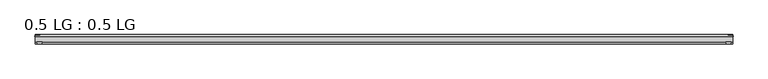
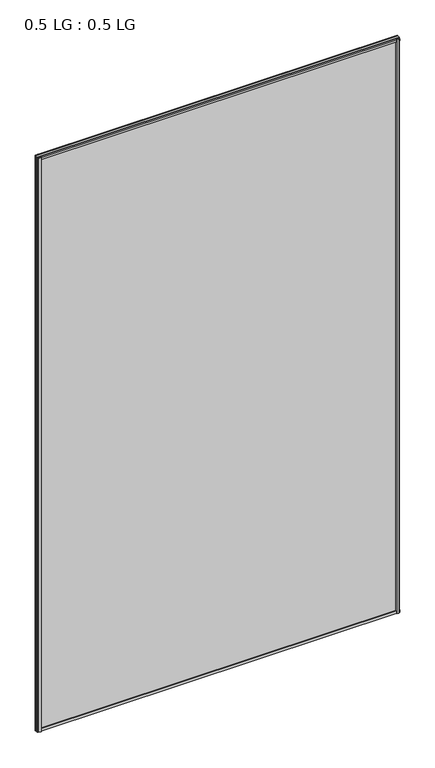
"""IFC4 building model written with IfcOpenShell, lengths in millimetres: plate geometry, 0.5 LG : 0.5 LG."""

from ifc_helpers import new_model, si_unit, frame, origin, origin_with_axes, place, context, project, spatial, polyline, outline, extrude, source, transform, mapped, element, save


def plate_0_5_lg_0_5_lg_0131686c(model_context):
    return source(origin(), model_context, "Body", "SweptSolid", [
        extrude(outline(polyline([(-843.2139513, 16.9767247), (-844.4235412, 21.828125), (-830.8660345, 21.828125), (-832.0756244, 16.9767247), (-843.2139513, 16.9767247)])), origin_with_axes(), (0.0, 0.0, 1.0), 2842.288964),
        extrude(outline(polyline([(-848.6599387, 34.680525), (-847.4221258, 39.4557249), (-836.3096173, 39.4557249), (-835.0958142, 34.680525), (-848.6599387, 34.680525)])), origin_with_axes(), (0.0, 0.0, 1.0), 2842.288964),
        extrude(outline(polyline([(843.2139513, 16.9767247), (832.0756244, 16.9767247), (830.8660345, 21.828125), (844.4235412, 21.828125), (843.2139513, 16.9767247)])), origin_with_axes(), (0.0, 0.0, 1.0), 2842.288964),
        extrude(outline(polyline([(848.6599387, 34.680525), (835.0958142, 34.680525), (836.3096173, 39.4557249), (847.4221258, 39.4557249), (848.6599387, 34.680525)])), origin_with_axes(), (0.0, 0.0, 1.0), 2842.288964),
        extrude(outline(polyline([(39.4569539, 11.124921), (39.4569539, 0.0005878), (34.680525, -1.2138382), (34.680525, 12.3392211), (39.4569539, 11.124921)])), frame((-847.4221258, 0.0, 0.0), z_axis=(1.0, 0.0, 0.0), x_axis=(0.0, 1.0, 0.0)), (0.0, 0.0, 1.0), 1694.8442516),
        extrude(outline(polyline([(16.9767101, 13.8303088), (21.828125, 15.0636853), (21.828125, 1.4714303), (16.9767101, 2.704584), (16.9767101, 13.8303088)])), frame((-847.4221258, 0.0, 0.0), z_axis=(1.0, 0.0, 0.0), x_axis=(0.0, 1.0, 0.0)), (0.0, 0.0, 1.0), 1694.8442516),
        extrude(outline(polyline([(39.4569539, 2831.164043), (34.680525, 2829.9497429), (34.680525, 2843.5028022), (39.4569539, 2842.2883761), (39.4569539, 2831.164043)])), frame((-847.4221258, 0.0, 0.0), z_axis=(1.0, 0.0, 0.0), x_axis=(0.0, 1.0, 0.0)), (0.0, 0.0, 1.0), 1694.8442516),
        extrude(outline(polyline([(16.9767101, 2828.4586552), (16.9767101, 2839.58438), (21.828125, 2840.8175337), (21.828125, 2827.2252787), (16.9767101, 2828.4586552)])), frame((-847.4221258, 0.0, 0.0), z_axis=(1.0, 0.0, 0.0), x_axis=(0.0, 1.0, 0.0)), (0.0, 0.0, 1.0), 1694.8442516),
        extrude(outline(polyline([(847.4221258, 34.680525), (847.4221258, 21.828125), (-847.4221258, 21.828125), (-847.4221258, 34.680525), (847.4221258, 34.680525)])), origin_with_axes(), (0.0, 0.0, 1.0), 2842.288964),
    ])


if __name__ == "__main__":
    model = new_model("IFC4")
    model_context = context("Model", 3, world=origin())
    ifc_project = project(units=[si_unit("LENGTHUNIT", "METRE", prefix="MILLI")], contexts=[model_context])
    site = spatial("IfcSite", under=ifc_project)
    building = spatial("IfcBuilding", under=site)
    placement = place(None, origin())
    plate_0_5_lg_0_5_lg_shape = plate_0_5_lg_0_5_lg_0131686c(model_context)
    element("IfcPlate", 1, ObjectType="0.5 LG : 0.5 LG", at=placement, inside=building, context=model_context, shape_type="MappedRepresentation", body=[
        mapped(plate_0_5_lg_0_5_lg_shape, transform((0.0, 0.0, 0.0), x_axis=(1.0, 0.0, 0.0), y_axis=(0.0, 1.0, 0.0), z_axis=(0.0, 0.0, 1.0))),
    ])
    save(model, "model.ifc")
